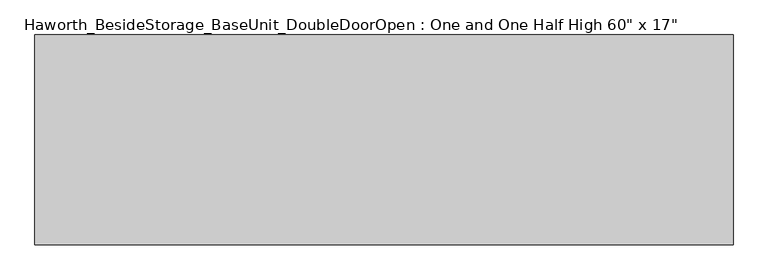
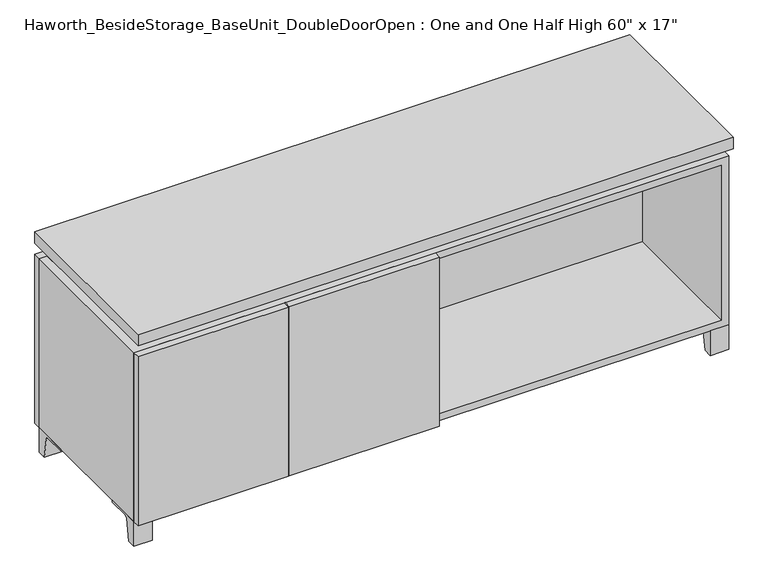
"""IFC4 building model written with IfcOpenShell, lengths in millimetres: furniture geometry."""

from ifc_helpers import new_model, si_unit, point, frame, frame_2d, origin, place, context, project, spatial, polyline, circle_curve, trimmed, segment, composite_curve, outline, extrude, faceted_brep, source, transform, mapped, element, save


def furniture_bae7d1c1(model_context):
    return source(origin(), model_context, "Body", "SolidModel", [
        extrude(outline(composite_curve([segment(polyline([(44.9791531, 0.0), (22.225, 0.0), (22.225, 66.675), (117.475, 66.675), (117.475, 61.8963321), (60.6744655, 61.8963321)]), True, "CONTINUOUS"), segment(trimmed(circle_curve(frame_2d((60.6744655, 55.5463321)), 6.35), [point((60.6744655, 61.8963321))], [point((54.4108641, 56.5902656))], True, "CARTESIAN"), True, "CONTINUOUS"), segment(polyline([(54.4108641, 56.5902656), (44.9791531, 0.0)]), True, "CONTINUOUS")], self_intersect=False)), frame((-23.7986094, 0.0, 0.0), z_axis=(1.0, 0.0, 0.0), x_axis=(0.0, 1.0, 0.0)), (0.0, 0.0, 1.0), 47.625),
        extrude(outline(composite_curve([segment(polyline([(-123.2958469, 0.0), (-146.05, 0.0), (-146.05, 66.675), (-50.8, 66.675), (-50.8, 61.8963321), (-107.6005345, 61.8963321)]), True, "CONTINUOUS"), segment(trimmed(circle_curve(frame_2d((-107.6005345, 55.5463321)), 6.35), [point((-107.6005345, 61.8963321))], [point((-113.8641359, 56.5902656))], True, "CARTESIAN"), True, "CONTINUOUS"), segment(polyline([(-113.8641359, 56.5902656), (-123.2958469, 0.0)]), True, "CONTINUOUS")], self_intersect=False)), frame((712.8013906, 0.0, 0.0), z_axis=(1.0, 0.0, 0.0), x_axis=(0.0, 1.0, 0.0)), (0.0, 0.0, 1.0), 47.625),
        extrude(outline(composite_curve([segment(polyline([(250.2958469, 0.0), (240.8641359, 56.5902656)]), True, "CONTINUOUS"), segment(trimmed(circle_curve(frame_2d((234.6005345, 55.5463321)), 6.35), [point((240.8641359, 56.5902656))], [point((234.6005345, 61.8963321))], True, "CARTESIAN"), True, "CONTINUOUS"), segment(polyline([(234.6005345, 61.8963321), (177.8, 61.8963321), (177.8, 66.675), (273.05, 66.675), (273.05, 0.0), (250.2958469, 0.0)]), True, "CONTINUOUS")], self_intersect=False)), frame((712.8013906, 0.0, 0.0), z_axis=(1.0, 0.0, 0.0), x_axis=(0.0, 1.0, 0.0)), (0.0, 0.0, 1.0), 47.625),
        extrude(outline(composite_curve([segment(polyline([(-123.2958469, 0.0), (-146.05, 0.0), (-146.05, 66.675), (-50.8, 66.675), (-50.8, 61.8963321), (-107.6005345, 61.8963321)]), True, "CONTINUOUS"), segment(trimmed(circle_curve(frame_2d((-107.6005345, 55.5463321)), 6.35), [point((-107.6005345, 61.8963321))], [point((-113.8641359, 56.5902656))], True, "CARTESIAN"), True, "CONTINUOUS"), segment(polyline([(-113.8641359, 56.5902656), (-123.2958469, 0.0)]), True, "CONTINUOUS")], self_intersect=False)), frame((-760.3986094, 0.0, 0.0), z_axis=(1.0, 0.0, 0.0), x_axis=(0.0, 1.0, 0.0)), (0.0, 0.0, 1.0), 47.625),
        extrude(outline(composite_curve([segment(polyline([(250.2958469, 0.0), (240.8641359, 56.5902656)]), True, "CONTINUOUS"), segment(trimmed(circle_curve(frame_2d((234.6005345, 55.5463321)), 6.35), [point((240.8641359, 56.5902656))], [point((234.6005345, 61.8963321))], True, "CARTESIAN"), True, "CONTINUOUS"), segment(polyline([(234.6005345, 61.8963321), (177.8, 61.8963321), (177.8, 66.675), (273.05, 66.675), (273.05, 0.0), (250.2958469, 0.0)]), True, "CONTINUOUS")], self_intersect=False)), frame((-760.3986094, 0.0, 0.0), z_axis=(1.0, 0.0, 0.0), x_axis=(0.0, 1.0, 0.0)), (0.0, 0.0, 1.0), 47.625),
        faceted_brep([(-760.3986094, -146.05, 66.675), (760.4125, -146.05, 66.675), (760.4125, -146.05, 523.875), (-760.3986094, -146.05, 523.875), (-741.3486094, -146.05, 85.725), (-741.3486094, -146.05, 504.825), (741.3694453, -146.05, 504.825), (741.3486094, -146.05, 85.725), (-760.3986094, 273.05, 66.675), (-760.3986094, 273.05, 523.875), (-741.3486094, 273.05, 523.875), (-741.3486094, 273.05, 85.725), (741.3486094, 273.05, 85.725), (741.3486094, 273.05, 523.875), (760.4125, 273.05, 523.875), (760.4125, 273.05, 66.675), (741.3486094, 247.65, 523.875), (-741.3416641, 247.65, 523.875), (-741.3486094, 247.65, 504.825), (741.3486094, 247.65, 504.825)], [[[0, 1, 2, 3], [4, 5, 6, 7]], [[8, 9, 10, 11, 12, 13, 14, 15]], [[1, 0, 8, 15]], [[2, 1, 15, 14]], [[3, 2, 14, 13, 16, 17, 10, 9]], [[0, 3, 9, 8]], [[11, 10, 17, 18, 5, 4]], [[13, 12, 7, 6, 19, 16]], [[4, 7, 12, 11]], [[6, 5, 18, 19]], [[17, 16, 19, 18]]]),
        extrude(outline(polyline([(760.4263906, -165.1), (-760.3986094, -165.1), (-760.3986094, 292.1), (760.4263906, 292.1), (760.4263906, -165.1)])), frame((0.0, 0.0, 554.0375), z_axis=(0.0, 0.0, 1.0), x_axis=(1.0, 0.0, 0.0)), (0.0, 0.0, 1.0), 30.1625),
        faceted_brep([(7.9513906, -69.85, 554.0375), (7.9513906, -69.85, 523.875), (7.9513906, 53.975, 523.875), (7.9513906, 53.975, 554.0375), (7.9513906, 196.85, 523.875), (7.9513906, 196.85, 554.0375), (7.9513906, 73.025, 554.0375), (7.9513906, 73.025, 523.875), (-7.9236094, 196.85, 554.0375), (-7.9236094, 196.85, 523.875), (-7.9236094, 73.025, 523.875), (-7.9236094, 73.025, 554.0375), (-7.9236094, -69.85, 523.875), (-7.9236094, -69.85, 554.0375), (-7.9236094, 53.975, 554.0375), (-7.9236094, 53.975, 523.875), (-719.0958281, 73.025, 554.0375), (-719.1166641, 247.65, 554.0375), (-734.9916641, 247.65, 554.0375), (-734.9916641, -120.65, 554.0375), (-719.1166641, -120.65, 554.0375), (-719.1166641, 53.975, 554.0375), (719.1236094, 53.975, 554.0375), (719.1236094, -120.65, 554.0375), (734.9986094, -120.65, 554.0375), (734.9986094, 247.65, 554.0375), (719.1236094, 247.65, 554.0375), (719.1236094, 73.025, 554.0375), (-719.0958281, 53.975, 523.875), (-719.1166641, -120.65, 523.875), (-734.9916641, -120.65, 523.875), (-734.9916641, 247.65, 523.875), (-719.1166641, 247.65, 523.875), (-719.1166641, 73.025, 523.875), (719.1236094, 73.025, 523.875), (719.1236094, 247.65, 523.875), (734.9986094, 247.65, 523.875), (734.9986094, -120.65, 523.875), (719.1236094, -120.65, 523.875), (719.1236094, 53.975, 523.875)], [[[0, 1, 2, 3]], [[4, 5, 6, 7]], [[8, 9, 10, 11]], [[12, 13, 14, 15]], [[5, 8, 11, 16, 17, 18, 19, 20, 21, 14, 13, 0, 3, 22, 23, 24, 25, 26, 27, 6]], [[1, 12, 15, 28, 29, 30, 31, 32, 33, 10, 9, 4, 7, 34, 35, 36, 37, 38, 39, 2]], [[5, 4, 9, 8]], [[1, 0, 13, 12]], [[6, 27, 34, 7]], [[22, 3, 2, 39]], [[20, 29, 28, 21]], [[32, 17, 16, 33]], [[18, 31, 30, 19]], [[29, 20, 19, 30]], [[17, 32, 31, 18]], [[26, 35, 34, 27]], [[38, 23, 22, 39]], [[25, 24, 37, 36]], [[23, 38, 37, 24]], [[35, 26, 25, 36]], [[16, 11, 10, 33]], [[14, 21, 28, 15]]]),
        extrude(outline(polyline([(9.5388906, 203.2), (9.5388906, -146.05), (-9.5111094, -146.05), (-9.5111094, 203.2), (9.5388906, 203.2)])), frame((0.0, 0.0, 85.725), z_axis=(0.0, 0.0, 1.0), x_axis=(1.0, 0.0, 0.0)), (0.0, 0.0, 1.0), 419.1),
        extrude(outline(polyline([(760.4263906, 273.05), (-760.3986094, 273.05), (-760.3986094, 292.1), (760.4263906, 292.1), (760.4263906, 273.05)])), frame((0.0, 0.0, 66.675), z_axis=(0.0, 0.0, 1.0), x_axis=(1.0, 0.0, 0.0)), (0.0, 0.0, 1.0), 457.2),
        extrude(outline(polyline([(-741.3416641, 203.2), (-741.3416641, 209.55), (741.3694453, 209.55), (741.3694453, 203.2), (-741.3416641, 203.2)])), frame((0.0, 0.0, 85.725), z_axis=(0.0, 0.0, 1.0), x_axis=(1.0, 0.0, 0.0)), (0.0, 0.0, 1.0), 419.1),
        extrude(outline(polyline([(9.5388906, -165.1), (-373.8423594, -165.1), (-373.8423594, -146.05), (9.5388906, -146.05), (9.5388906, -165.1)])), frame((0.0, 0.0, 66.675), z_axis=(0.0, 0.0, 1.0), x_axis=(1.0, 0.0, 0.0)), (0.0, 0.0, 1.0), 457.2),
        extrude(outline(polyline([(-377.0173594, -165.1), (-760.3986094, -165.1), (-760.3986094, -146.05), (-377.0173594, -146.05), (-377.0173594, -165.1)])), frame((0.0, 0.0, 66.675), z_axis=(0.0, 0.0, 1.0), x_axis=(1.0, 0.0, 0.0)), (0.0, 0.0, 1.0), 457.2),
    ])


if __name__ == "__main__":
    model = new_model("IFC4")
    model_context = context("Model", 3, world=origin())
    ifc_project = project(units=[si_unit("LENGTHUNIT", "METRE", prefix="MILLI")], contexts=[model_context])
    site = spatial("IfcSite", under=ifc_project)
    building = spatial("IfcBuilding", under=site)
    placement = place(None, origin())
    furniture_shape = furniture_bae7d1c1(model_context)
    element("IfcFurniture", 1, ObjectType="Haworth_BesideStorage_BaseUnit_DoubleDoorOpen : One and One Half High 60\" x 17\"", at=placement, inside=building, context=model_context, shape_type="MappedRepresentation", body=[
        mapped(furniture_shape, transform((0.0, 0.0, 0.0), x_axis=(1.0, 0.0, 0.0), y_axis=(0.0, 1.0, 0.0), z_axis=(0.0, 0.0, 1.0))),
    ])
    save(model, "model.ifc")
